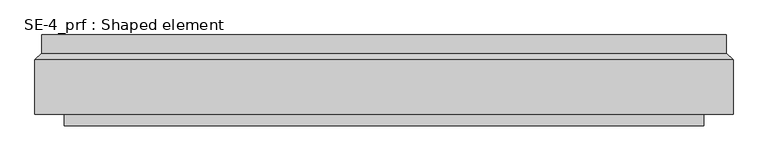
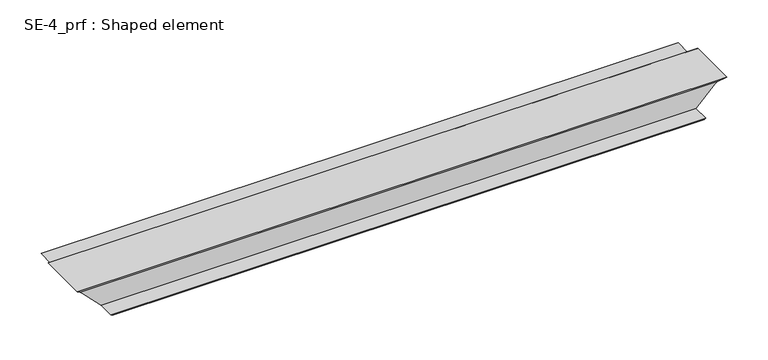
"""IFC4 building model written with IfcOpenShell, lengths in millimetres: proxy geometry, SE-4_prf : Shaped element."""

from ifc_helpers import new_model, si_unit, origin, place, context, project, spatial, faceted_brep, source, transform, mapped, element, save


def se_4_prf_shaped_element_5d04dc13(model_context):
    return source(origin(), model_context, "Body", "Brep", [
        faceted_brep([(0.0, -2.0, 0.0), (0.0, -3.0, 0.0), (-5.0, -3.0, 5.0), (-19.8492424, -17.8492424, 19.8492424), (-19.8492424, 102.1507576, 19.8492424), (-5.0, 117.0, 5.0), (-5.0, 157.0, 5.0), (-2.0, 157.0, 2.0), (-2.0, 147.0, 2.0), (-3.0, 147.0, 3.0), (-3.0, 156.0, 3.0), (-4.0, 156.0, 4.0), (-4.0, 116.5857864, 4.0), (-18.8492424, 101.736544, 18.8492424), (-18.8492424, -15.4350288, 18.8492424), (-5.4142136, -2.0, 5.4142136), (46.0, -2.0, -46.0), (46.0, -42.0, -46.0), (47.0, -42.0, -47.0), (47.0, -33.0, -47.0), (48.0, -33.0, -48.0), (48.0, -43.0, -48.0), (45.0, -43.0, -45.0), (45.0, -3.0, -45.0), (1500.0, -3.0, 0.0), (1500.0, -2.0, 0.0), (1505.4142136, -2.0, 5.4142136), (1518.8492424, -15.4350288, 18.8492424), (1518.8492424, 101.736544, 18.8492424), (1504.0, 116.5857864, 4.0), (1504.0, 156.0, 4.0), (1503.0, 156.0, 3.0), (1503.0, 147.0, 3.0), (1502.0, 147.0, 2.0), (1502.0, 157.0, 2.0), (1505.0, 157.0, 5.0), (1505.0, 117.0, 5.0), (1519.8492424, 102.1507576, 19.8492424), (1519.8492424, -17.8492424, 19.8492424), (1505.0, -3.0, 5.0), (1455.0, -3.0, -45.0), (1455.0, -43.0, -45.0), (1452.0, -43.0, -48.0), (1452.0, -33.0, -48.0), (1453.0, -33.0, -47.0), (1453.0, -42.0, -47.0), (1454.0, -42.0, -46.0), (1454.0, -2.0, -46.0)], [[[0, 1, 2, 3, 4, 5, 6, 7, 8, 9, 10, 11, 12, 13, 14, 15]], [[1, 0, 16, 17, 18, 19, 20, 21, 22, 23]], [[24, 25, 26, 27, 28, 29, 30, 31, 32, 33, 34, 35, 36, 37, 38, 39]], [[25, 24, 40, 41, 42, 43, 44, 45, 46, 47]], [[4, 3, 38, 37]], [[2, 1, 23, 40, 24, 39]], [[3, 2, 39, 38]], [[23, 22, 41, 40]], [[22, 21, 42, 41]], [[11, 10, 31, 30]], [[21, 20, 43, 42]], [[19, 18, 45, 44]], [[18, 17, 46, 45]], [[17, 16, 47, 46]], [[0, 15, 26, 25, 47, 16]], [[15, 14, 27, 26]], [[14, 13, 28, 27]], [[13, 12, 29, 28]], [[12, 11, 30, 29]], [[10, 9, 32, 31]], [[8, 7, 34, 33]], [[7, 6, 35, 34]], [[6, 5, 36, 35]], [[5, 4, 37, 36]], [[9, 8, 33, 32]], [[20, 19, 44, 43]]]),
    ])


if __name__ == "__main__":
    model = new_model("IFC4")
    model_context = context("Model", 3, world=origin())
    ifc_project = project(units=[si_unit("LENGTHUNIT", "METRE", prefix="MILLI")], contexts=[model_context])
    site = spatial("IfcSite", under=ifc_project)
    building = spatial("IfcBuilding", under=site)
    placement = place(None, origin())
    se_4_prf_shaped_element_shape = se_4_prf_shaped_element_5d04dc13(model_context)
    element("IfcBuildingElementProxy", 1, Name="SE-4_prf : Shaped element", ObjectType="SE-4_prf : Shaped element", at=placement, inside=building, context=model_context, shape_type="MappedRepresentation", body=[
        mapped(se_4_prf_shaped_element_shape, transform((0.0, 0.0, 0.0), x_axis=(1.0, 0.0, 0.0), y_axis=(0.0, 1.0, 0.0), z_axis=(0.0, 0.0, 1.0))),
    ])
    save(model, "model.ifc")
